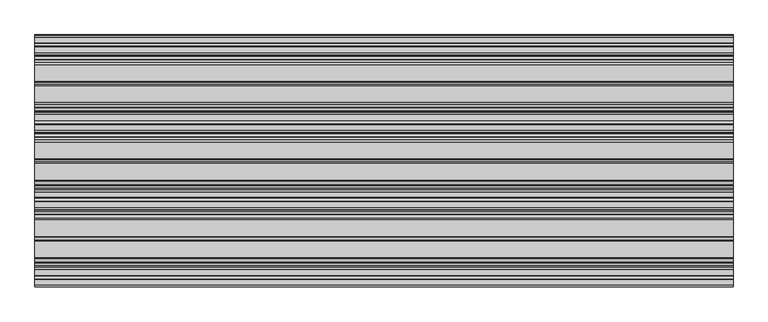
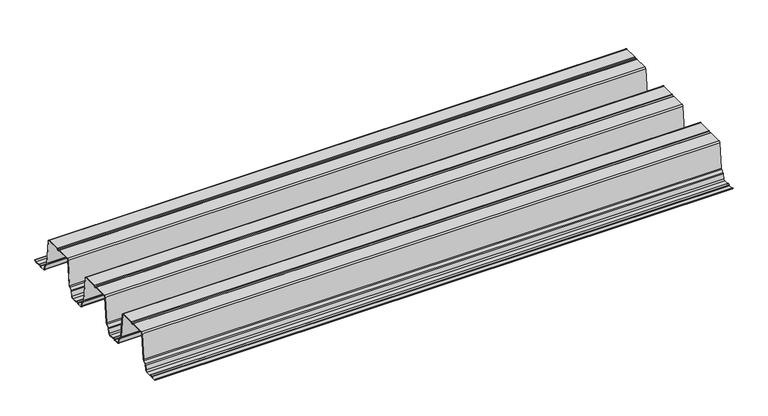
"""IFC4 building model written with IfcOpenShell, lengths in millimetres: proxy geometry."""

from ifc_helpers import new_model, si_unit, point, frame, frame_2d, origin, place, context, project, spatial, polyline, circle_curve, trimmed, segment, composite_curve, outline, extrude, source, transform, mapped, element, save


def generic_models_1b45e0c8(model_context):
    return source(origin(), model_context, "Body", "SweptSolid", [
        extrude(outline(composite_curve([segment(trimmed(circle_curve(frame_2d((324.6441913, 113.8058949)), 3.6361245), [point((321.3795042, 112.204889))], [point((327.9088783, 112.204889))], True, "CARTESIAN"), True, "CONTINUOUS"), segment(trimmed(circle_curve(frame_2d((330.4708747, 110.9484833)), 2.8534857), [point((327.9088783, 112.204889))], [point((330.4708747, 113.801969))], False, "CARTESIAN"), True, "CONTINUOUS"), segment(polyline([(330.4708747, 113.801969), (373.4492703, 113.801969)]), True, "CONTINUOUS"), segment(trimmed(circle_curve(frame_2d((373.4492703, 109.0613218)), 4.7406472), [point((373.4492703, 113.801969))], [point((378.1008152, 109.9761257))], False, "CARTESIAN"), True, "CONTINUOUS"), segment(polyline([(378.1008152, 109.9761257), (386.0015759, 30.7769056)]), True, "CONTINUOUS"), segment(trimmed(circle_curve(frame_2d((391.2153598, 31.2970226)), 5.2396627), [point((386.0015759, 30.7769056))], [point((387.7190783, 27.394449))], True, "CARTESIAN"), True, "CONTINUOUS"), segment(polyline([(387.7190783, 27.394449), (394.9225297, 20.9409399)]), True, "CONTINUOUS"), segment(trimmed(circle_curve(frame_2d((391.7592274, 17.41004)), 4.7406472), [point((394.9225297, 20.9409399))], [point((396.4111087, 18.3231312))], False, "CARTESIAN"), True, "CONTINUOUS"), segment(polyline([(396.4111087, 18.3231312), (399.2223324, 5.0268078)]), True, "CONTINUOUS"), segment(trimmed(circle_curve(frame_2d((404.3631679, 6.0396627)), 5.2396627), [point((399.2223324, 5.0268078))], [point((404.3631679, 0.8))], True, "CARTESIAN"), True, "CONTINUOUS"), segment(polyline([(404.3631679, 0.8), (418.2385012, 0.8)]), True, "CONTINUOUS"), segment(trimmed(circle_curve(frame_2d((418.2385012, 3.6534857)), 2.8534857), [point((418.2385012, 0.8))], [point((420.8004976, 2.39708))], True, "CARTESIAN"), True, "CONTINUOUS"), segment(trimmed(circle_curve(frame_2d((424.0651846, 0.7960741)), 3.6361245), [point((420.8004976, 2.39708))], [point((427.4480898, 2.1292486))], False, "CARTESIAN"), True, "CONTINUOUS"), segment(trimmed(circle_curve(frame_2d((429.4296465, 2.9101634)), 2.1298815), [point((427.4480898, 2.1292486))], [point((429.1405005, 0.8))], True, "CARTESIAN"), True, "CONTINUOUS"), segment(polyline([(429.1405005, 0.8), (445.0579936, 0.8)]), True, "CONTINUOUS"), segment(trimmed(circle_curve(frame_2d((445.0579936, 6.0396627)), 5.2396627), [point((445.0579936, 0.8))], [point((450.1991748, 5.0285637))], True, "CARTESIAN"), True, "CONTINUOUS"), segment(polyline([(450.1991748, 5.0285637), (453.0103893, 19.3228748)]), True, "CONTINUOUS"), segment(trimmed(circle_curve(frame_2d((457.6619342, 18.408071)), 4.7406472), [point((453.0103893, 19.3228748))], [point((454.4986319, 21.9389709))], False, "CARTESIAN"), True, "CONTINUOUS"), segment(polyline([(454.4986319, 21.9389709), (461.7020833, 28.39248)]), True, "CONTINUOUS"), segment(trimmed(circle_curve(frame_2d((458.2058017, 32.2950536)), 5.2396627), [point((461.7020833, 28.39248))], [point((463.4195857, 31.7749366))], True, "CARTESIAN"), True, "CONTINUOUS"), segment(polyline([(463.4195857, 31.7749366), (471.3203464, 110.9741566)]), True, "CONTINUOUS"), segment(trimmed(circle_curve(frame_2d((475.9718912, 110.0593528)), 4.7406472), [point((471.3203464, 110.9741566))], [point((475.9718912, 114.8))], False, "CARTESIAN"), True, "CONTINUOUS"), segment(polyline([(475.9718912, 114.8), (519.1233624, 114.8)]), True, "CONTINUOUS"), segment(trimmed(circle_curve(frame_2d((519.4125084, 112.6898366)), 2.1298815), [point((519.1233624, 114.8))], [point((521.3940652, 113.4707514))], False, "CARTESIAN"), True, "CONTINUOUS"), segment(trimmed(circle_curve(frame_2d((524.7769703, 114.8039259)), 3.6361245), [point((521.3940652, 113.4707514))], [point((528.0416574, 113.20292))], True, "CARTESIAN"), True, "CONTINUOUS"), segment(trimmed(circle_curve(frame_2d((530.6036537, 111.9465143)), 2.8534857), [point((528.0416574, 113.20292))], [point((530.6036537, 114.8))], False, "CARTESIAN"), True, "CONTINUOUS"), segment(polyline([(530.6036537, 114.8), (573.289288, 114.8)]), True, "CONTINUOUS"), segment(trimmed(circle_curve(frame_2d((573.289288, 110.0593528)), 4.7406472), [point((573.289288, 114.8))], [point((577.9408329, 110.9741566))], False, "CARTESIAN"), True, "CONTINUOUS"), segment(polyline([(577.9408329, 110.9741566), (585.8415936, 31.7749366)]), True, "CONTINUOUS"), segment(trimmed(circle_curve(frame_2d((591.0553775, 32.2950536)), 5.2396627), [point((585.8415936, 31.7749366))], [point((587.559096, 28.39248))], True, "CARTESIAN"), True, "CONTINUOUS"), segment(polyline([(587.559096, 28.39248), (594.7625474, 21.9389709)]), True, "CONTINUOUS"), segment(trimmed(circle_curve(frame_2d((591.5992451, 18.408071)), 4.7406472), [point((594.7625474, 21.9389709))], [point((596.25079, 19.3228748))], False, "CARTESIAN"), True, "CONTINUOUS"), segment(polyline([(596.25079, 19.3228748), (599.0620045, 5.0285637)]), True, "CONTINUOUS"), segment(trimmed(circle_curve(frame_2d((604.2031856, 6.0396627)), 5.2396627), [point((599.0620045, 5.0285637))], [point((604.2031856, 0.8))], True, "CARTESIAN"), True, "CONTINUOUS"), segment(polyline([(604.2031856, 0.8), (620.1206788, 0.8)]), True, "CONTINUOUS"), segment(trimmed(circle_curve(frame_2d((619.8315328, 2.9101634)), 2.1298815), [point((620.1206788, 0.8))], [point((621.8130895, 2.1292486))], True, "CARTESIAN"), True, "CONTINUOUS"), segment(trimmed(circle_curve(frame_2d((625.1959947, 0.7960741)), 3.6361245), [point((621.8130895, 2.1292486))], [point((628.5788998, 2.1292486))], False, "CARTESIAN"), True, "CONTINUOUS"), segment(trimmed(circle_curve(frame_2d((630.5604565, 2.9101634)), 2.1298815), [point((628.5788998, 2.1292486))], [point((630.2713105, 0.8))], True, "CARTESIAN"), True, "CONTINUOUS"), segment(polyline([(630.2713105, 0.8), (644.1927417, 0.8)]), True, "CONTINUOUS"), segment(trimmed(circle_curve(frame_2d((644.1927417, 6.0396627)), 5.2396627), [point((644.1927417, 0.8))], [point((649.2883825, 4.8196179))], True, "CARTESIAN"), True, "CONTINUOUS"), segment(polyline([(649.2883825, 4.8196179), (650.0663931, 4.6333395)]), True, "CONTINUOUS"), segment(trimmed(circle_curve(frame_2d((644.1927417, 6.0396627)), 6.0396627), [point((650.0663931, 4.6333395))], [point((644.1927417, 0.0))], False, "CARTESIAN"), True, "CONTINUOUS"), segment(polyline([(644.1927417, 0.0), (630.2211126, 0.0)]), True, "CONTINUOUS"), segment(trimmed(circle_curve(frame_2d((630.5604565, 2.9101634)), 2.9298815), [point((630.2211126, 0.0))], [point((627.8346117, 1.8359309))], False, "CARTESIAN"), True, "CONTINUOUS"), segment(trimmed(circle_curve(frame_2d((625.1959947, 0.7960741)), 2.8361245), [point((627.8346117, 1.8359309))], [point((622.5573776, 1.8359309))], True, "CARTESIAN"), True, "CONTINUOUS"), segment(trimmed(circle_curve(frame_2d((619.8315328, 2.9101634)), 2.9298815), [point((622.5573776, 1.8359309))], [point((620.1708767, 0.0))], False, "CARTESIAN"), True, "CONTINUOUS"), segment(polyline([(620.1708767, 0.0), (604.2031856, 0.0)]), True, "CONTINUOUS"), segment(trimmed(circle_curve(frame_2d((604.2031856, 6.0396627)), 6.0396627), [point((604.2031856, 0.0))], [point((598.2770408, 4.8741875))], False, "CARTESIAN"), True, "CONTINUOUS"), segment(polyline([(598.2770408, 4.8741875), (595.4658263, 19.1684986)]), True, "CONTINUOUS"), segment(trimmed(circle_curve(frame_2d((591.5992451, 18.408071)), 3.9406472), [point((595.4658263, 19.1684986))], [point((594.2287296, 21.3431197))], True, "CARTESIAN"), True, "CONTINUOUS"), segment(polyline([(594.2287296, 21.3431197), (587.0252782, 27.7966289)]), True, "CONTINUOUS"), segment(trimmed(circle_curve(frame_2d((591.0553775, 32.2950536)), 6.0396627), [point((587.0252782, 27.7966289))], [point((585.0455448, 31.6955243))], False, "CARTESIAN"), True, "CONTINUOUS"), segment(polyline([(585.0455448, 31.6955243), (577.1487237, 110.8552525)]), True, "CONTINUOUS"), segment(trimmed(circle_curve(frame_2d((573.289288, 110.0593528)), 3.9406472), [point((577.1487237, 110.8552525))], [point((573.289288, 114.0))], True, "CARTESIAN"), True, "CONTINUOUS"), segment(polyline([(573.289288, 114.0), (530.6036537, 114.0)]), True, "CONTINUOUS"), segment(trimmed(circle_curve(frame_2d((530.6036537, 111.9465143)), 2.0534857), [point((530.6036537, 114.0))], [point((528.7599357, 112.8506755))], True, "CARTESIAN"), True, "CONTINUOUS"), segment(trimmed(circle_curve(frame_2d((524.7769703, 114.8039259)), 4.4361245), [point((528.7599357, 112.8506755))], [point((520.6497771, 113.1774338))], False, "CARTESIAN"), True, "CONTINUOUS"), segment(trimmed(circle_curve(frame_2d((519.4125084, 112.6898366)), 1.3298815), [point((520.6497771, 113.1774338))], [point((519.1843494, 114.0))], True, "CARTESIAN"), True, "CONTINUOUS"), segment(polyline([(519.1843494, 114.0), (475.9718912, 114.0)]), True, "CONTINUOUS"), segment(trimmed(circle_curve(frame_2d((475.9718912, 110.0593528)), 3.9406472), [point((475.9718912, 114.0))], [point((472.1124555, 110.8552525))], True, "CARTESIAN"), True, "CONTINUOUS"), segment(polyline([(472.1124555, 110.8552525), (464.2156345, 31.6955243)]), True, "CONTINUOUS"), segment(trimmed(circle_curve(frame_2d((458.2058017, 32.2950536)), 6.0396627), [point((464.2156345, 31.6955243))], [point((462.2359011, 27.7966289))], False, "CARTESIAN"), True, "CONTINUOUS"), segment(polyline([(462.2359011, 27.7966289), (455.0324497, 21.3431197)]), True, "CONTINUOUS"), segment(trimmed(circle_curve(frame_2d((457.6619342, 18.408071)), 3.9406472), [point((455.0324497, 21.3431197))], [point((453.795353, 19.1684986))], True, "CARTESIAN"), True, "CONTINUOUS"), segment(polyline([(453.795353, 19.1684986), (450.9841385, 4.8741875)]), True, "CONTINUOUS"), segment(trimmed(circle_curve(frame_2d((445.0579936, 6.0396627)), 6.0396627), [point((450.9841385, 4.8741875))], [point((445.0579936, 0.0))], False, "CARTESIAN"), True, "CONTINUOUS"), segment(polyline([(445.0579936, 0.0), (429.0903025, 0.0)]), True, "CONTINUOUS"), segment(trimmed(circle_curve(frame_2d((429.4296465, 2.9101634)), 2.9298815), [point((429.0903025, 0.0))], [point((426.7038017, 1.8359309))], False, "CARTESIAN"), True, "CONTINUOUS"), segment(trimmed(circle_curve(frame_2d((424.0651846, 0.7960741)), 2.8361245), [point((426.7038017, 1.8359309))], [point((421.518776, 2.0448356))], True, "CARTESIAN"), True, "CONTINUOUS"), segment(trimmed(circle_curve(frame_2d((418.2385012, 3.6534857)), 3.6534857), [point((421.518776, 2.0448356))], [point((418.2385012, 0.0))], False, "CARTESIAN"), True, "CONTINUOUS"), segment(polyline([(418.2385012, 0.0), (404.3631679, 0.0)]), True, "CONTINUOUS"), segment(trimmed(circle_curve(frame_2d((404.3631679, 6.0396627)), 6.0396627), [point((404.3631679, 0.0))], [point((398.4385315, 4.8665436))], False, "CARTESIAN"), True, "CONTINUOUS"), segment(polyline([(398.4385315, 4.8665436), (395.6271529, 18.1635996)]), True, "CONTINUOUS"), segment(trimmed(circle_curve(frame_2d((391.7592274, 17.41004)), 3.9406472), [point((395.6271529, 18.1635996))], [point((394.3887119, 20.3450888))], True, "CARTESIAN"), True, "CONTINUOUS"), segment(polyline([(394.3887119, 20.3450888), (387.1852605, 26.7985979)]), True, "CONTINUOUS"), segment(trimmed(circle_curve(frame_2d((391.2153598, 31.2970226)), 6.0396627), [point((387.1852605, 26.7985979))], [point((385.2055271, 30.6974933))], False, "CARTESIAN"), True, "CONTINUOUS"), segment(polyline([(385.2055271, 30.6974933), (377.308706, 109.8572215)]), True, "CONTINUOUS"), segment(trimmed(circle_curve(frame_2d((373.4492703, 109.0613218)), 3.9406472), [point((377.308706, 109.8572215))], [point((373.4492703, 113.001969))], True, "CARTESIAN"), True, "CONTINUOUS"), segment(polyline([(373.4492703, 113.001969), (330.4708747, 113.001969)]), True, "CONTINUOUS"), segment(trimmed(circle_curve(frame_2d((330.4708747, 110.9484833)), 2.0534857), [point((330.4708747, 113.001969))], [point((328.6271567, 111.8526445))], True, "CARTESIAN"), True, "CONTINUOUS"), segment(trimmed(circle_curve(frame_2d((324.6441913, 113.8058949)), 4.4361245), [point((328.6271567, 111.8526445))], [point((320.6612258, 111.8526445))], False, "CARTESIAN"), True, "CONTINUOUS"), segment(trimmed(circle_curve(frame_2d((318.8175079, 110.9484833)), 2.0534857), [point((320.6612258, 111.8526445))], [point((318.8175079, 113.001969))], True, "CARTESIAN"), True, "CONTINUOUS"), segment(polyline([(318.8175079, 113.001969), (275.8391122, 113.001969)]), True, "CONTINUOUS"), segment(trimmed(circle_curve(frame_2d((275.8391122, 109.0613218)), 3.9406472), [point((275.8391122, 113.001969))], [point((271.9796765, 109.8572215))], True, "CARTESIAN"), True, "CONTINUOUS"), segment(polyline([(271.9796765, 109.8572215), (264.0828555, 30.6974933)]), True, "CONTINUOUS"), segment(trimmed(circle_curve(frame_2d((258.0730227, 31.2970226)), 6.0396627), [point((264.0828555, 30.6974933))], [point((262.103122, 26.7985979))], False, "CARTESIAN"), True, "CONTINUOUS"), segment(polyline([(262.103122, 26.7985979), (254.8996706, 20.3450888)]), True, "CONTINUOUS"), segment(trimmed(circle_curve(frame_2d((257.5291552, 17.41004)), 3.9406472), [point((254.8996706, 20.3450888))], [point((253.6612296, 18.1635996))], True, "CARTESIAN"), True, "CONTINUOUS"), segment(polyline([(253.6612296, 18.1635996), (250.849851, 4.8665436)]), True, "CONTINUOUS"), segment(trimmed(circle_curve(frame_2d((244.9252146, 6.0396627)), 6.0396627), [point((250.849851, 4.8665436))], [point((244.9252146, 0.0))], False, "CARTESIAN"), True, "CONTINUOUS"), segment(polyline([(244.9252146, 0.0), (231.0498813, 0.0)]), True, "CONTINUOUS"), segment(trimmed(circle_curve(frame_2d((231.0498813, 3.6534857)), 3.6534857), [point((231.0498813, 0.0))], [point((227.7696066, 2.0448356))], False, "CARTESIAN"), True, "CONTINUOUS"), segment(trimmed(circle_curve(frame_2d((225.2231979, 0.7960741)), 2.8361245), [point((227.7696066, 2.0448356))], [point((222.5845808, 1.8359309))], True, "CARTESIAN"), True, "CONTINUOUS"), segment(trimmed(circle_curve(frame_2d((219.858736, 2.9101634)), 2.9298815), [point((222.5845808, 1.8359309))], [point((220.19808, 0.0))], False, "CARTESIAN"), True, "CONTINUOUS"), segment(polyline([(220.19808, 0.0), (204.2303889, 0.0)]), True, "CONTINUOUS"), segment(trimmed(circle_curve(frame_2d((204.2303889, 6.0396627)), 6.0396627), [point((204.2303889, 0.0))], [point((198.304244, 4.8741875))], False, "CARTESIAN"), True, "CONTINUOUS"), segment(polyline([(198.304244, 4.8741875), (195.4930295, 19.1684986)]), True, "CONTINUOUS"), segment(trimmed(circle_curve(frame_2d((191.6264483, 18.408071)), 3.9406472), [point((195.4930295, 19.1684986))], [point((194.2559329, 21.3431197))], True, "CARTESIAN"), True, "CONTINUOUS"), segment(polyline([(194.2559329, 21.3431197), (187.0524815, 27.7966289)]), True, "CONTINUOUS"), segment(trimmed(circle_curve(frame_2d((191.0825808, 32.2950536)), 6.0396627), [point((187.0524815, 27.7966289))], [point((185.072748, 31.6955243))], False, "CARTESIAN"), True, "CONTINUOUS"), segment(polyline([(185.072748, 31.6955243), (177.175927, 110.8552525)]), True, "CONTINUOUS"), segment(trimmed(circle_curve(frame_2d((173.3164913, 110.0593528)), 3.9406472), [point((177.175927, 110.8552525))], [point((173.3164913, 114.0))], True, "CARTESIAN"), True, "CONTINUOUS"), segment(polyline([(173.3164913, 114.0), (130.1040332, 114.0)]), True, "CONTINUOUS"), segment(trimmed(circle_curve(frame_2d((129.8758741, 112.6898366)), 1.3298815), [point((130.1040332, 114.0))], [point((128.6386055, 113.1774338))], True, "CARTESIAN"), True, "CONTINUOUS"), segment(trimmed(circle_curve(frame_2d((124.5114122, 114.8039259)), 4.4361245), [point((128.6386055, 113.1774338))], [point((120.5284468, 112.8506755))], False, "CARTESIAN"), True, "CONTINUOUS"), segment(trimmed(circle_curve(frame_2d((118.6847288, 111.9465143)), 2.0534857), [point((120.5284468, 112.8506755))], [point((118.6847288, 114.0))], True, "CARTESIAN"), True, "CONTINUOUS"), segment(polyline([(118.6847288, 114.0), (75.9990945, 114.0)]), True, "CONTINUOUS"), segment(trimmed(circle_curve(frame_2d((75.9990945, 110.0593528)), 3.9406472), [point((75.9990945, 114.0))], [point((72.1396588, 110.8552525))], True, "CARTESIAN"), True, "CONTINUOUS"), segment(polyline([(72.1396588, 110.8552525), (64.2428378, 31.6955243)]), True, "CONTINUOUS"), segment(trimmed(circle_curve(frame_2d((58.233005, 32.2950536)), 6.0396627), [point((64.2428378, 31.6955243))], [point((62.2631043, 27.7966289))], False, "CARTESIAN"), True, "CONTINUOUS"), segment(polyline([(62.2631043, 27.7966289), (55.0596529, 21.3431197)]), True, "CONTINUOUS"), segment(trimmed(circle_curve(frame_2d((57.6891375, 18.408071)), 3.9406472), [point((55.0596529, 21.3431197))], [point((53.8225563, 19.1684986))], True, "CARTESIAN"), True, "CONTINUOUS"), segment(polyline([(53.8225563, 19.1684986), (51.0113418, 4.8741875)]), True, "CONTINUOUS"), segment(trimmed(circle_curve(frame_2d((45.0851969, 6.0396627)), 6.0396627), [point((51.0113418, 4.8741875))], [point((45.0851969, 0.0))], False, "CARTESIAN"), True, "CONTINUOUS"), segment(polyline([(45.0851969, 0.0), (29.1175058, 0.0)]), True, "CONTINUOUS"), segment(trimmed(circle_curve(frame_2d((29.4568498, 2.9101634)), 2.9298815), [point((29.1175058, 0.0))], [point((26.731005, 1.8359309))], False, "CARTESIAN"), True, "CONTINUOUS"), segment(trimmed(circle_curve(frame_2d((24.0923879, 0.7960741)), 2.8361245), [point((26.731005, 1.8359309))], [point((21.4537708, 1.8359309))], True, "CARTESIAN"), True, "CONTINUOUS"), segment(trimmed(circle_curve(frame_2d((18.727926, 2.9101634)), 2.9298815), [point((21.4537708, 1.8359309))], [point((19.06727, 0.0))], False, "CARTESIAN"), True, "CONTINUOUS"), segment(polyline([(19.06727, 0.0), (5.0956409, 0.0)]), True, "CONTINUOUS"), segment(trimmed(circle_curve(frame_2d((5.0956409, 6.0396627)), 6.0396627), [point((5.0956409, 0.0))], [point((-0.7780105, 4.6333395))], False, "CARTESIAN"), True, "CONTINUOUS"), segment(polyline([(-0.7780105, 4.6333395), (0.0, 4.8196179)]), True, "CONTINUOUS"), segment(trimmed(circle_curve(frame_2d((5.0956409, 6.0396627)), 5.2396627), [point((0.0, 4.8196179))], [point((5.0956409, 0.8))], True, "CARTESIAN"), True, "CONTINUOUS"), segment(polyline([(5.0956409, 0.8), (19.0170721, 0.8)]), True, "CONTINUOUS"), segment(trimmed(circle_curve(frame_2d((18.727926, 2.9101634)), 2.1298815), [point((19.0170721, 0.8))], [point((20.7094827, 2.1292486))], True, "CARTESIAN"), True, "CONTINUOUS"), segment(trimmed(circle_curve(frame_2d((24.0923879, 0.7960741)), 3.6361245), [point((20.7094827, 2.1292486))], [point((27.475293, 2.1292486))], False, "CARTESIAN"), True, "CONTINUOUS"), segment(trimmed(circle_curve(frame_2d((29.4568498, 2.9101634)), 2.1298815), [point((27.475293, 2.1292486))], [point((29.1677037, 0.8))], True, "CARTESIAN"), True, "CONTINUOUS"), segment(polyline([(29.1677037, 0.8), (45.0851969, 0.8)]), True, "CONTINUOUS"), segment(trimmed(circle_curve(frame_2d((45.0851969, 6.0396627)), 5.2396627), [point((45.0851969, 0.8))], [point((50.2263781, 5.0285637))], True, "CARTESIAN"), True, "CONTINUOUS"), segment(polyline([(50.2263781, 5.0285637), (53.0375926, 19.3228748)]), True, "CONTINUOUS"), segment(trimmed(circle_curve(frame_2d((57.6891375, 18.408071)), 4.7406472), [point((53.0375926, 19.3228748))], [point((54.5258351, 21.9389709))], False, "CARTESIAN"), True, "CONTINUOUS"), segment(polyline([(54.5258351, 21.9389709), (61.7292865, 28.39248)]), True, "CONTINUOUS"), segment(trimmed(circle_curve(frame_2d((58.233005, 32.2950536)), 5.2396627), [point((61.7292865, 28.39248))], [point((63.446789, 31.7749366))], True, "CARTESIAN"), True, "CONTINUOUS"), segment(polyline([(63.446789, 31.7749366), (71.3475496, 110.9741566)]), True, "CONTINUOUS"), segment(trimmed(circle_curve(frame_2d((75.9990945, 110.0593528)), 4.7406472), [point((71.3475496, 110.9741566))], [point((75.9990945, 114.8))], False, "CARTESIAN"), True, "CONTINUOUS"), segment(polyline([(75.9990945, 114.8), (118.6847288, 114.8)]), True, "CONTINUOUS"), segment(trimmed(circle_curve(frame_2d((118.6847288, 111.9465143)), 2.8534857), [point((118.6847288, 114.8))], [point((121.2467252, 113.20292))], False, "CARTESIAN"), True, "CONTINUOUS"), segment(trimmed(circle_curve(frame_2d((124.5114122, 114.8039259)), 3.6361245), [point((121.2467252, 113.20292))], [point((127.8943174, 113.4707514))], True, "CARTESIAN"), True, "CONTINUOUS"), segment(trimmed(circle_curve(frame_2d((129.8758741, 112.6898366)), 2.1298815), [point((127.8943174, 113.4707514))], [point((130.1650202, 114.8))], False, "CARTESIAN"), True, "CONTINUOUS"), segment(polyline([(130.1650202, 114.8), (173.3164913, 114.8)]), True, "CONTINUOUS"), segment(trimmed(circle_curve(frame_2d((173.3164913, 110.0593528)), 4.7406472), [point((173.3164913, 114.8))], [point((177.9680362, 110.9741566))], False, "CARTESIAN"), True, "CONTINUOUS"), segment(polyline([(177.9680362, 110.9741566), (185.8687968, 31.7749366)]), True, "CONTINUOUS"), segment(trimmed(circle_curve(frame_2d((191.0825808, 32.2950536)), 5.2396627), [point((185.8687968, 31.7749366))], [point((187.5862993, 28.39248))], True, "CARTESIAN"), True, "CONTINUOUS"), segment(polyline([(187.5862993, 28.39248), (194.7897507, 21.9389709)]), True, "CONTINUOUS"), segment(trimmed(circle_curve(frame_2d((191.6264483, 18.408071)), 4.7406472), [point((194.7897507, 21.9389709))], [point((196.2779932, 19.3228748))], False, "CARTESIAN"), True, "CONTINUOUS"), segment(polyline([(196.2779932, 19.3228748), (199.0892077, 5.0285637)]), True, "CONTINUOUS"), segment(trimmed(circle_curve(frame_2d((204.2303889, 6.0396627)), 5.2396627), [point((199.0892077, 5.0285637))], [point((204.2303889, 0.8))], True, "CARTESIAN"), True, "CONTINUOUS"), segment(polyline([(204.2303889, 0.8), (220.1478821, 0.8)]), True, "CONTINUOUS"), segment(trimmed(circle_curve(frame_2d((219.858736, 2.9101634)), 2.1298815), [point((220.1478821, 0.8))], [point((221.8402928, 2.1292486))], True, "CARTESIAN"), True, "CONTINUOUS"), segment(trimmed(circle_curve(frame_2d((225.2231979, 0.7960741)), 3.6361245), [point((221.8402928, 2.1292486))], [point((228.487885, 2.39708))], False, "CARTESIAN"), True, "CONTINUOUS"), segment(trimmed(circle_curve(frame_2d((231.0498813, 3.6534857)), 2.8534857), [point((228.487885, 2.39708))], [point((231.0498813, 0.8))], True, "CARTESIAN"), True, "CONTINUOUS"), segment(polyline([(231.0498813, 0.8), (244.9252146, 0.8)]), True, "CONTINUOUS"), segment(trimmed(circle_curve(frame_2d((244.9252146, 6.0396627)), 5.2396627), [point((244.9252146, 0.8))], [point((250.0660501, 5.0268078))], True, "CARTESIAN"), True, "CONTINUOUS"), segment(polyline([(250.0660501, 5.0268078), (252.8772738, 18.3231312)]), True, "CONTINUOUS"), segment(trimmed(circle_curve(frame_2d((257.5291552, 17.41004)), 4.7406472), [point((252.8772738, 18.3231312))], [point((254.3658528, 20.9409399))], False, "CARTESIAN"), True, "CONTINUOUS"), segment(polyline([(254.3658528, 20.9409399), (261.5693042, 27.394449)]), True, "CONTINUOUS"), segment(trimmed(circle_curve(frame_2d((258.0730227, 31.2970226)), 5.2396627), [point((261.5693042, 27.394449))], [point((263.2868067, 30.7769056))], True, "CARTESIAN"), True, "CONTINUOUS"), segment(polyline([(263.2868067, 30.7769056), (271.1875673, 109.9761257)]), True, "CONTINUOUS"), segment(trimmed(circle_curve(frame_2d((275.8391122, 109.0613218)), 4.7406472), [point((271.1875673, 109.9761257))], [point((275.8391122, 113.801969))], False, "CARTESIAN"), True, "CONTINUOUS"), segment(polyline([(275.8391122, 113.801969), (318.8175079, 113.801969)]), True, "CONTINUOUS"), segment(trimmed(circle_curve(frame_2d((318.8175079, 110.9484833)), 2.8534857), [point((318.8175079, 113.801969))], [point((321.3795042, 112.204889))], False, "CARTESIAN"), True, "CONTINUOUS")], self_intersect=False)), frame((0.0, 0.0, 0.0), z_axis=(1.0, 0.0, 0.0), x_axis=(0.0, 1.0, 0.0)), (0.0, 0.0, 1.0), 1800.0),
    ])


if __name__ == "__main__":
    model = new_model("IFC4")
    model_context = context("Model", 3, world=origin())
    ifc_project = project(units=[si_unit("LENGTHUNIT", "METRE", prefix="MILLI")], contexts=[model_context])
    site = spatial("IfcSite", under=ifc_project)
    building = spatial("IfcBuilding", under=site)
    placement = place(None, origin())
    generic_models_shape = generic_models_1b45e0c8(model_context)
    element("IfcBuildingElementProxy", 1, Name="Generic Models", at=placement, inside=building, context=model_context, shape_type="MappedRepresentation", body=[
        mapped(generic_models_shape, transform((0.0, 0.0, 0.0), x_axis=(1.0, 0.0, 0.0), y_axis=(0.0, 1.0, 0.0), z_axis=(0.0, 0.0, 1.0))),
    ])
    save(model, "model.ifc")
